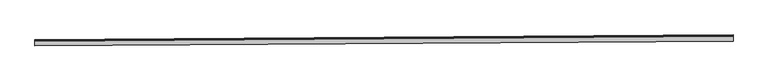
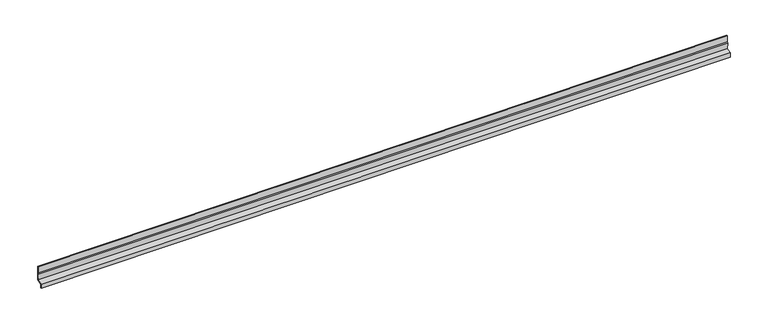
"""IFC4 building model written with IfcOpenShell, lengths in millimetres: proxy geometry."""

from ifc_helpers import new_model, si_unit, frame, origin, place, context, project, spatial, polyline, outline, extrude, source, transform, mapped, element, save


def generic_models_2289b8a6(model_context):
    return source(origin(), model_context, "Body", "SweptSolid", [
        extrude(outline(polyline([(-213.5460073, -59.1525973), (-223.3524661, -377.4979313), (-577.3538874, -450.0490168), (-638.160099, -501.9507238), (-1024.8861642, -609.0737753), (-1032.3172669, -559.2494153), (-662.189967, -456.7242189), (-600.0147676, -403.6539997), (-272.1117752, -336.4516762), (-262.3882681, -20.7991857), (-1e-07, 51.8827985), (0.0, 0.0), (-213.5460073, -59.1525973)])), frame((-57056.7192504, 123522.3583971, 14068.2282315), z_axis=(-0.9999778809166773, -0.006646214720609318, 0.0002559438986833608), x_axis=(-0.0020208535731714578, 0.26694187938761926, -0.9637105110871426)), (0.0, 0.0, 1.0), 40633.5670192),
    ])


if __name__ == "__main__":
    model = new_model("IFC4")
    model_context = context("Model", 3, world=origin())
    ifc_project = project(units=[si_unit("LENGTHUNIT", "METRE", prefix="MILLI")], contexts=[model_context])
    site = spatial("IfcSite", under=ifc_project)
    building = spatial("IfcBuilding", under=site)
    placement = place(None, origin())
    generic_models_shape = generic_models_2289b8a6(model_context)
    element("IfcBuildingElementProxy", 1, Name="Generic Models", at=placement, inside=building, context=model_context, shape_type="MappedRepresentation", body=[
        mapped(generic_models_shape, transform((0.0, 0.0, 0.0), x_axis=(1.0, 0.0, 0.0), y_axis=(0.0, 1.0, 0.0), z_axis=(0.0, 0.0, 1.0))),
    ])
    save(model, "model.ifc")
